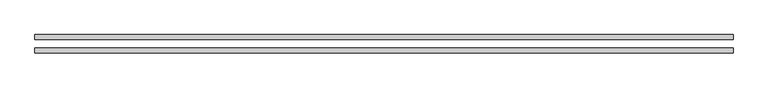
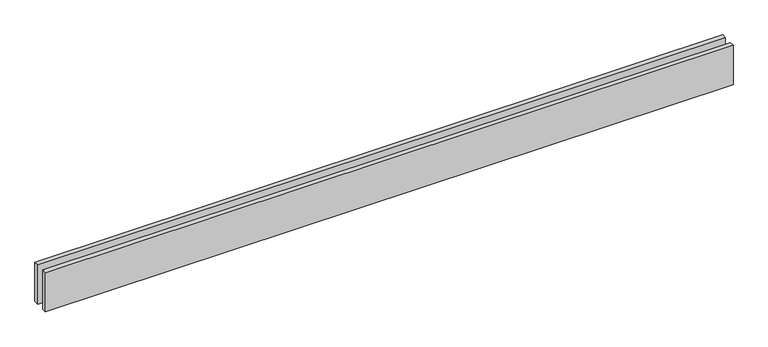
"""IFC4 building model written with IfcOpenShell, lengths in millimetres: proxy geometry."""

from ifc_helpers import new_model, si_unit, origin, origin_with_axes, place, context, project, spatial, polyline, outline, extrude, source, transform, mapped, element, save


def generic_models_9b507323(model_context):
    return source(origin(), model_context, "Body", "SweptSolid", [
        extrude(outline(polyline([(4135.0, -25.0), (4135.0, -55.0), (0.0, -55.0), (0.0, -25.0), (4135.0, -25.0)])), origin_with_axes(), (0.0, 0.0, 1.0), 250.0),
        extrude(outline(polyline([(4135.0, 55.0), (4135.0, 25.0), (0.0, 25.0), (0.0, 55.0), (4135.0, 55.0)])), origin_with_axes(), (0.0, 0.0, 1.0), 250.0),
    ])


if __name__ == "__main__":
    model = new_model("IFC4")
    model_context = context("Model", 3, world=origin())
    ifc_project = project(units=[si_unit("LENGTHUNIT", "METRE", prefix="MILLI")], contexts=[model_context])
    site = spatial("IfcSite", under=ifc_project)
    building = spatial("IfcBuilding", under=site)
    placement = place(None, origin())
    generic_models_shape = generic_models_9b507323(model_context)
    element("IfcBuildingElementProxy", 1, Name="Generic Models", at=placement, inside=building, context=model_context, shape_type="MappedRepresentation", body=[
        mapped(generic_models_shape, transform((0.0, 0.0, 0.0), x_axis=(1.0, 0.0, 0.0), y_axis=(0.0, 1.0, 0.0), z_axis=(0.0, 0.0, 1.0))),
    ])
    save(model, "model.ifc")
